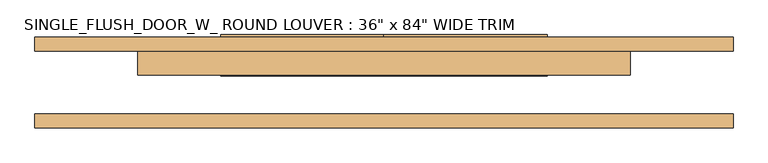
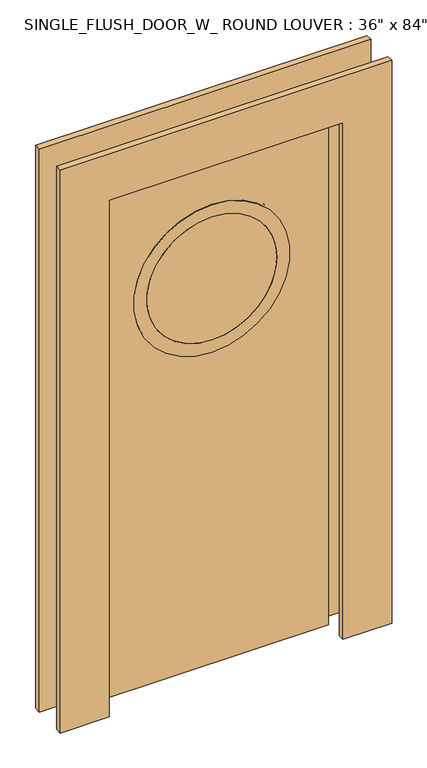
"""IFC4 building model written with IfcOpenShell, lengths in millimetres: door geometry."""

import ifcopenshell
import ifcopenshell.guid

model = None  # the IFC model being written
_history = None  # IfcOwnerHistory: only IFC2X3 demands one
_inside = {}  # id of a spatial element -> (the spatial element, [elements in it])
_under = {}  # id of a project, library or spatial element -> (it, [spatial elements below it])
_declared = {}  # id of a project -> (the project, [libraries it declares])
_typed = {}  # id of a type object -> (the type object, [elements of that type])
_made_of = {}  # id of a material, layer set ... -> (it, [elements and type objects made of it])


def new_model(schema):
    """Start an empty IFC model of exactly this schema.

    Asked for "IFC4X3", IfcOpenShell would pick the latest addendum, in which some entities
    have other attributes; the version numbers below select the first issue.
    IFC2X3 requires an IfcOwnerHistory on every rooted entity: one is made here for all.
    """
    global model, _history
    if schema == "IFC4X3":
        model = ifcopenshell.file(schema_version=(4, 3, 0, 0))
    else:
        model = ifcopenshell.file(schema=schema)
    _inside.clear()
    _under.clear()
    _declared.clear()
    _typed.clear()
    _made_of.clear()
    _history = None
    if model.schema == "IFC2X3":
        org = make("IfcOrganization", Name="unknown")
        user = make(
            "IfcPersonAndOrganization",
            ThePerson=make("IfcPerson", FamilyName="unknown"),
            TheOrganization=org,
        )
        app = make(
            "IfcApplication",
            ApplicationDeveloper=org,
            Version="unknown",
            ApplicationFullName="unknown",
            ApplicationIdentifier="unknown",
        )
        _history = make(
            "IfcOwnerHistory",
            OwningUser=user,
            OwningApplication=app,
            ChangeAction="ADDED",
            CreationDate=0,
        )
    return model


def make(cls, **values):
    """One entity of the class cls with the attributes given. An attribute that is None is left unset."""
    return model.create_entity(
        cls, **{name: value for name, value in values.items() if value is not None}
    )


def rooted(cls, **values):
    """An entity with a GlobalId (a new one), such as an element, a storey or a relation."""
    return make(cls, GlobalId=ifcopenshell.guid.new(), OwnerHistory=_history, **values)


def si_unit(unit_type, name, prefix=None):
    """IfcSIUnit, for example si_unit("LENGTHUNIT", "METRE", prefix="MILLI")."""
    return make("IfcSIUnit", UnitType=unit_type, Prefix=prefix, Name=name)


def assignment(units):
    """IfcUnitAssignment: the units of a project."""
    return None if units is None else make("IfcUnitAssignment", Units=units)


def point(xyz):
    """IfcCartesianPoint."""
    return None if xyz is None else make("IfcCartesianPoint", Coordinates=xyz)


def direction(xyz):
    """IfcDirection."""
    return None if xyz is None else make("IfcDirection", DirectionRatios=xyz)


def frame(location, z_axis=None, x_axis=None):
    """IfcAxis2Placement3D, a coordinate frame: its origin and axes. An axis left out is left unset."""
    return make(
        "IfcAxis2Placement3D",
        Location=point(location),
        Axis=direction(z_axis),
        RefDirection=direction(x_axis),
    )


def frame_2d(location, x_axis=None):
    """IfcAxis2Placement2D, a coordinate frame in the plane: its origin and x axis."""
    return make(
        "IfcAxis2Placement2D", Location=point(location), RefDirection=direction(x_axis)
    )


def origin():
    """The frame at (0, 0, 0) with its axes left unset."""
    return frame((0.0, 0.0, 0.0))


def place(relative_to, where):
    """IfcLocalPlacement: puts the frame where relative to a parent placement (None: the world)."""
    return make(
        "IfcLocalPlacement", PlacementRelTo=relative_to, RelativePlacement=where
    )


def context(
    kind, dimensions, precision=None, world=None, true_north=None, identifier=None
):
    """IfcGeometricRepresentationContext, for example the 3D "Model" context."""
    return make(
        "IfcGeometricRepresentationContext",
        ContextIdentifier=identifier,
        ContextType=kind,
        CoordinateSpaceDimension=dimensions,
        Precision=precision,
        WorldCoordinateSystem=world,
        TrueNorth=true_north,
    )


def project(units=None, contexts=None):
    """IfcProject with its units and contexts."""
    return rooted(
        "IfcProject",
        Name="project",
        RepresentationContexts=contexts,
        UnitsInContext=assignment(units),
    )


def spatial(cls, under=None, at=None, **own):
    """A site, building, storey or space (cls), placed at a placement, below another one or the project."""
    s = rooted(cls, ObjectPlacement=at, **own)
    if under is not None:
        _under.setdefault(under.id(), (under, []))[1].append(s)
    return s


def polyline(points):
    """IfcPolyline through the points."""
    return make("IfcPolyline", Points=[point(p) for p in points])


def circle_curve(where, radius):
    """IfcCircle in the frame where."""
    return make("IfcCircle", Position=where, Radius=radius)


def trimmed(basis, trim1, trim2, sense, master):
    """IfcTrimmedCurve: the piece of a basis curve between two trims."""
    return make(
        "IfcTrimmedCurve",
        BasisCurve=basis,
        Trim1=trim1,
        Trim2=trim2,
        SenseAgreement=sense,
        MasterRepresentation=master,
    )


def segment(curve, same_sense, transition):
    """IfcCompositeCurveSegment."""
    return make(
        "IfcCompositeCurveSegment",
        Transition=transition,
        SameSense=same_sense,
        ParentCurve=curve,
    )


def composite_curve(segments, self_intersect=None):
    """IfcCompositeCurve: segments joined end to end."""
    return make("IfcCompositeCurve", Segments=segments, SelfIntersect=self_intersect)


def outline(outer, holes=None, kind="AREA"):
    """IfcArbitraryClosedProfileDef: a profile drawn as a closed curve; with holes, ...WithVoids."""
    if holes is None:
        return make("IfcArbitraryClosedProfileDef", ProfileType=kind, OuterCurve=outer)
    return make(
        "IfcArbitraryProfileDefWithVoids",
        ProfileType=kind,
        OuterCurve=outer,
        InnerCurves=holes,
    )


def extrude(swept, where, along, depth):
    """IfcExtrudedAreaSolid: the profile swept, set in the frame where, extruded along a direction by depth."""
    return make(
        "IfcExtrudedAreaSolid",
        SweptArea=swept,
        Position=where,
        ExtrudedDirection=direction(along),
        Depth=depth,
    )


def shape(context_of_items, identifier, shape_type, items):
    """IfcShapeRepresentation: the items that make up one representation, for example the "Body"."""
    return make(
        "IfcShapeRepresentation",
        ContextOfItems=context_of_items,
        RepresentationIdentifier=identifier,
        RepresentationType=shape_type,
        Items=items,
    )


def source(mapping_origin, context_of_items, identifier, shape_type, items):
    """IfcRepresentationMap: a shape defined once, which mapped items show again and again."""
    return make(
        "IfcRepresentationMap",
        MappingOrigin=mapping_origin,
        MappedRepresentation=shape(context_of_items, identifier, shape_type, items),
    )


def transform(
    local_origin,
    x_axis=None,
    y_axis=None,
    z_axis=None,
    scale=None,
    scale2=None,
    scale3=None,
    uniform=True,
):
    """IfcCartesianTransformationOperator3D, or its non-uniform kind. x_axis, y_axis, z_axis: its Axis1, 2, 3."""
    if uniform:
        return make(
            "IfcCartesianTransformationOperator3D",
            Axis1=direction(x_axis),
            Axis2=direction(y_axis),
            LocalOrigin=point(local_origin),
            Scale=scale,
            Axis3=direction(z_axis),
        )
    return make(
        "IfcCartesianTransformationOperator3DnonUniform",
        Axis1=direction(x_axis),
        Axis2=direction(y_axis),
        LocalOrigin=point(local_origin),
        Scale=scale,
        Axis3=direction(z_axis),
        Scale2=scale2,
        Scale3=scale3,
    )


def mapped(mapping_source, mapping_target):
    """IfcMappedItem: shows the shape of a source again, moved by a transform."""
    return make(
        "IfcMappedItem", MappingSource=mapping_source, MappingTarget=mapping_target
    )


def made_of(thing, what):
    """Note that an element or type object is made of a material, layer set ...; save() writes the relation."""
    if what is not None:
        _made_of.setdefault(what.id(), (what, []))[1].append(thing)
    return thing


def element(
    cls,
    number,
    at=None,
    inside=None,
    cuts=None,
    type_object=None,
    material=None,
    context=None,
    identifier="Body",
    shape_type=None,
    held_by="IfcProductDefinitionShape",
    body=None,
    shapes=None,
    **own,
):
    """One element of the class cls, such as IfcWall. Its Tag is "e" and its number.

    at: its placement. inside: the storey or other place that contains it. cuts: it is an
    opening in that element (IfcRelVoidsElement). A single representation is given by context,
    identifier, shape_type and body (its items); several are given by shapes. held_by: the class
    of the entity that holds the representations. save() writes the other relations.
    """
    e = rooted(cls, Tag="e%d" % number, ObjectPlacement=at, **own)
    if body is not None:
        shapes = [shape(context, identifier, shape_type, body)]
    if shapes is not None:
        e.Representation = make(held_by, Representations=shapes)
    if inside is not None:
        _inside.setdefault(inside.id(), (inside, []))[1].append(e)
    if cuts is not None:
        rooted(
            "IfcRelVoidsElement", RelatingBuildingElement=cuts, RelatedOpeningElement=e
        )
    if type_object is not None:
        _typed.setdefault(type_object.id(), (type_object, []))[1].append(e)
    return made_of(e, material)


def aggregate(whole, parts):
    """IfcRelAggregates: a whole, such as a stair, and the parts it consists of."""
    return rooted("IfcRelAggregates", RelatingObject=whole, RelatedObjects=parts)


def save(model, path):
    """Write the relations noted so far, then the file.

    IfcRelAggregates (storeys below a building ...), IfcRelContainedInSpatialStructure (elements
    in a storey), IfcRelDefinesByType, IfcRelAssociatesMaterial and IfcRelDeclares: one each for
    every whole, place, type object, material and project.
    """
    for whole, parts in _under.values():
        aggregate(whole, parts)
    for where, things in _inside.values():
        rooted(
            "IfcRelContainedInSpatialStructure",
            RelatedElements=things,
            RelatingStructure=where,
        )
    for kind, things in _typed.values():
        rooted("IfcRelDefinesByType", RelatedObjects=things, RelatingType=kind)
    for what, things in _made_of.values():
        rooted("IfcRelAssociatesMaterial", RelatedObjects=things, RelatingMaterial=what)
    for by, libraries in _declared.values():
        rooted("IfcRelDeclares", RelatingContext=by, RelatedDefinitions=libraries)
    model.write(path)


def door_daec009d(model_context):
    return source(origin(), model_context, "Body", "SweptSolid", [
        extrude(outline(composite_curve([segment(trimmed(circle_curve(frame_2d((1591.5339132, 0.0)), 254.0), [point((1337.5339132, 0.0))], [point((1845.5339132, 0.0))], False, "CARTESIAN"), True, "CONTINUOUS"), segment(trimmed(circle_curve(frame_2d((1591.5339132, 0.0)), 254.0), [point((1845.5339132, 0.0))], [point((1337.5339132, 0.0))], False, "CARTESIAN"), True, "CONTINUOUS")], self_intersect=False)), frame((0.0, 12.7, 0.0), z_axis=(0.0, 1.0, 0.0), x_axis=(0.0, 0.0, 1.0)), (0.0, 0.0, 1.0), 12.7),
        extrude(outline(composite_curve([segment(trimmed(circle_curve(frame_2d((1591.5339132, 0.0)), 304.8), [point((1286.7339132, 0.0))], [point((1896.3339132, 0.0))], False, "CARTESIAN"), True, "CONTINUOUS"), segment(trimmed(circle_curve(frame_2d((1591.5339132, 0.0)), 304.8), [point((1896.3339132, 0.0))], [point((1286.7339132, 0.0))], False, "CARTESIAN"), True, "CONTINUOUS")], self_intersect=False), holes=[composite_curve([segment(trimmed(circle_curve(frame_2d((1591.5339132, 0.0)), 254.0), [point((1337.5339132, 0.0))], [point((1845.5339132, 0.0))], True, "CARTESIAN"), True, "CONTINUOUS"), segment(trimmed(circle_curve(frame_2d((1591.5339132, 0.0)), 254.0), [point((1845.5339132, 0.0))], [point((1337.5339132, 0.0))], True, "CARTESIAN"), True, "CONTINUOUS")], self_intersect=False)]), frame((0.0, 12.7, 0.0), z_axis=(0.0, 1.0, 0.0), x_axis=(0.0, 0.0, 1.0)), (0.0, 0.0, 1.0), 12.7),
        extrude(outline(composite_curve([segment(trimmed(circle_curve(frame_2d((1591.5339132, 0.0)), 304.8), [point((1286.7339132, 0.0))], [point((1896.3339132, 0.0))], False, "CARTESIAN"), True, "CONTINUOUS"), segment(trimmed(circle_curve(frame_2d((1591.5339132, 0.0)), 304.8), [point((1896.3339132, 0.0))], [point((1286.7339132, 0.0))], False, "CARTESIAN"), True, "CONTINUOUS")], self_intersect=False), holes=[composite_curve([segment(trimmed(circle_curve(frame_2d((1591.5339132, 0.0)), 254.0), [point((1337.5339132, 0.0))], [point((1845.5339132, 0.0))], True, "CARTESIAN"), True, "CONTINUOUS"), segment(trimmed(circle_curve(frame_2d((1591.5339132, 0.0)), 254.0), [point((1845.5339132, 0.0))], [point((1337.5339132, 0.0))], True, "CARTESIAN"), True, "CONTINUOUS")], self_intersect=False)]), frame((0.0, 76.2, 0.0), z_axis=(0.0, 1.0, 0.0), x_axis=(0.0, 0.0, 1.0)), (0.0, 0.0, 1.0), 12.7),
        extrude(outline(polyline([(2324.1, -647.7), (0.0, -647.7), (0.0, -457.2), (2133.6, -457.2), (2133.6, 457.2), (0.0, 457.2), (0.0, 647.7), (2324.1, 647.7), (2324.1, -647.7)])), frame((0.0, 58.7375, 0.0), z_axis=(0.0, 1.0, 0.0), x_axis=(0.0, 0.0, 1.0)), (0.0, 0.0, 1.0), 25.4),
        extrude(outline(polyline([(2324.1, 647.7), (2324.1, -647.7), (0.0, -647.7), (0.0, -457.2), (2133.6, -457.2), (2133.6, 457.2), (0.0, 457.2), (0.0, 647.7), (2324.1, 647.7)])), frame((0.0, -84.1375, 0.0), z_axis=(0.0, 1.0, 0.0), x_axis=(0.0, 0.0, 1.0)), (0.0, 0.0, 1.0), 25.4),
        extrude(outline(polyline([(2133.6, 457.2), (2133.6, -457.2), (0.0, -457.2), (0.0, 457.2), (2133.6, 457.2)]), holes=[composite_curve([segment(trimmed(circle_curve(frame_2d((1591.5339132, 0.0)), 254.0), [point((1591.5339132, -254.0))], [point((1591.5339132, 254.0))], True, "CARTESIAN"), True, "CONTINUOUS"), segment(trimmed(circle_curve(frame_2d((1591.5339132, 0.0)), 254.0), [point((1591.5339132, 254.0))], [point((1591.5339132, -254.0))], True, "CARTESIAN"), True, "CONTINUOUS")], self_intersect=False)]), frame((0.0, 14.2875, 0.0), z_axis=(0.0, 1.0, 0.0), x_axis=(0.0, 0.0, 1.0)), (0.0, 0.0, 1.0), 44.45),
    ])


if __name__ == "__main__":
    model = new_model("IFC4")
    model_context = context("Model", 3, world=origin())
    ifc_project = project(units=[si_unit("LENGTHUNIT", "METRE", prefix="MILLI")], contexts=[model_context])
    site = spatial("IfcSite", under=ifc_project)
    building = spatial("IfcBuilding", under=site)
    placement = place(None, origin())
    door_shape = door_daec009d(model_context)
    element("IfcDoor", 1, ObjectType="SINGLE_FLUSH_DOOR_W_ ROUND LOUVER : 36\" x 84\" WIDE TRIM", at=placement, inside=building, context=model_context, shape_type="MappedRepresentation", body=[
        mapped(door_shape, transform((0.0, 0.0, 0.0), x_axis=(1.0, 0.0, 0.0), y_axis=(0.0, 1.0, 0.0), z_axis=(0.0, 0.0, 1.0))),
    ])
    save(model, "model.ifc")
